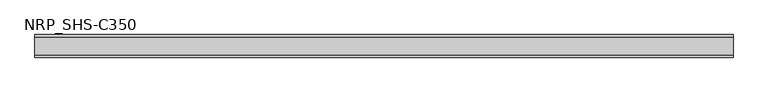
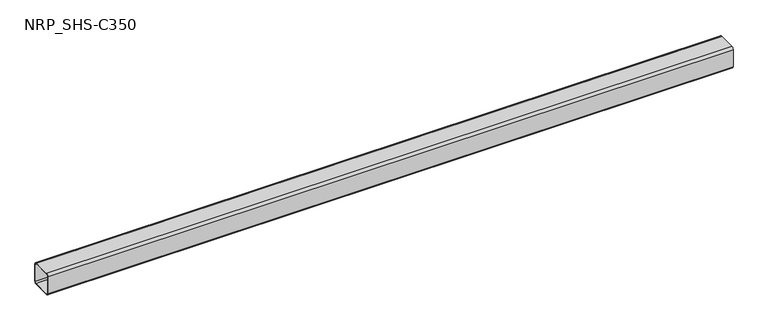
"""IFC4 building model written with IfcOpenShell, lengths in millimetres: member geometry, NRP_SHS-C350."""

from ifc_helpers import new_model, si_unit, point, frame, frame_2d, origin, place, context, project, spatial, polyline, circle_curve, trimmed, segment, composite_curve, outline, extrude, source, transform, mapped, element, save


def nrp_shs_c350_1955d18b(model_context):
    return source(origin(), model_context, "Body", "SweptSolid", [
        extrude(outline(composite_curve([segment(polyline([(44.5, 35.75), (44.5, -35.75)]), True, "CONTINUOUS"), segment(trimmed(circle_curve(frame_2d((35.75, -35.75)), 8.75), [point((44.5, -35.75))], [point((35.75, -44.5))], False, "CARTESIAN"), True, "CONTINUOUS"), segment(polyline([(35.75, -44.5), (-35.75, -44.5)]), True, "CONTINUOUS"), segment(trimmed(circle_curve(frame_2d((-35.75, -35.75)), 8.75), [point((-35.75, -44.5))], [point((-44.5, -35.75))], False, "CARTESIAN"), True, "CONTINUOUS"), segment(polyline([(-44.5, -35.75), (-44.5, 35.75)]), True, "CONTINUOUS"), segment(trimmed(circle_curve(frame_2d((-35.75, 35.75)), 8.75), [point((-44.5, 35.75))], [point((-35.75, 44.5))], False, "CARTESIAN"), True, "CONTINUOUS"), segment(polyline([(-35.75, 44.5), (35.75, 44.5)]), True, "CONTINUOUS"), segment(trimmed(circle_curve(frame_2d((35.75, 35.75)), 8.75), [point((35.75, 44.5))], [point((44.5, 35.75))], False, "CARTESIAN"), True, "CONTINUOUS")], self_intersect=False), holes=[composite_curve([segment(trimmed(circle_curve(frame_2d((-35.75, 35.75)), 5.25), [point((-35.75, 41.0))], [point((-41.0, 35.75))], True, "CARTESIAN"), True, "CONTINUOUS"), segment(polyline([(-41.0, 35.75), (-41.0, -35.75)]), True, "CONTINUOUS"), segment(trimmed(circle_curve(frame_2d((-35.75, -35.75)), 5.25), [point((-41.0, -35.75))], [point((-35.75, -41.0))], True, "CARTESIAN"), True, "CONTINUOUS"), segment(polyline([(-35.75, -41.0), (35.75, -41.0)]), True, "CONTINUOUS"), segment(trimmed(circle_curve(frame_2d((35.75, -35.75)), 5.25), [point((35.75, -41.0))], [point((41.0, -35.75))], True, "CARTESIAN"), True, "CONTINUOUS"), segment(polyline([(41.0, -35.75), (41.0, 35.75)]), True, "CONTINUOUS"), segment(trimmed(circle_curve(frame_2d((35.75, 35.75)), 5.25), [point((41.0, 35.75))], [point((35.75, 41.0))], True, "CARTESIAN"), True, "CONTINUOUS"), segment(polyline([(35.75, 41.0), (-35.75, 41.0)]), True, "CONTINUOUS")], self_intersect=False)]), frame((-1372.0, 0.0, 0.0), z_axis=(1.0, 0.0, 0.0), x_axis=(0.0, 1.0, 0.0)), (0.0, 0.0, 1.0), 2744.0),
    ])


if __name__ == "__main__":
    model = new_model("IFC4")
    model_context = context("Model", 3, world=origin())
    ifc_project = project(units=[si_unit("LENGTHUNIT", "METRE", prefix="MILLI")], contexts=[model_context])
    site = spatial("IfcSite", under=ifc_project)
    building = spatial("IfcBuilding", under=site)
    placement = place(None, origin())
    nrp_shs_c350_shape = nrp_shs_c350_1955d18b(model_context)
    element("IfcMember", 1, ObjectType="NRP_SHS-C350", at=placement, inside=building, context=model_context, shape_type="MappedRepresentation", body=[
        mapped(nrp_shs_c350_shape, transform((0.0, 0.0, 0.0), x_axis=(1.0, 0.0, 0.0), y_axis=(0.0, 1.0, 0.0), z_axis=(0.0, 0.0, 1.0))),
    ])
    save(model, "model.ifc")
